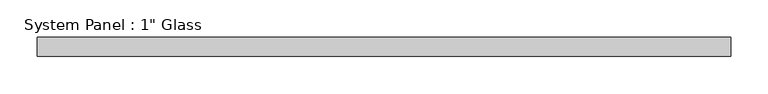
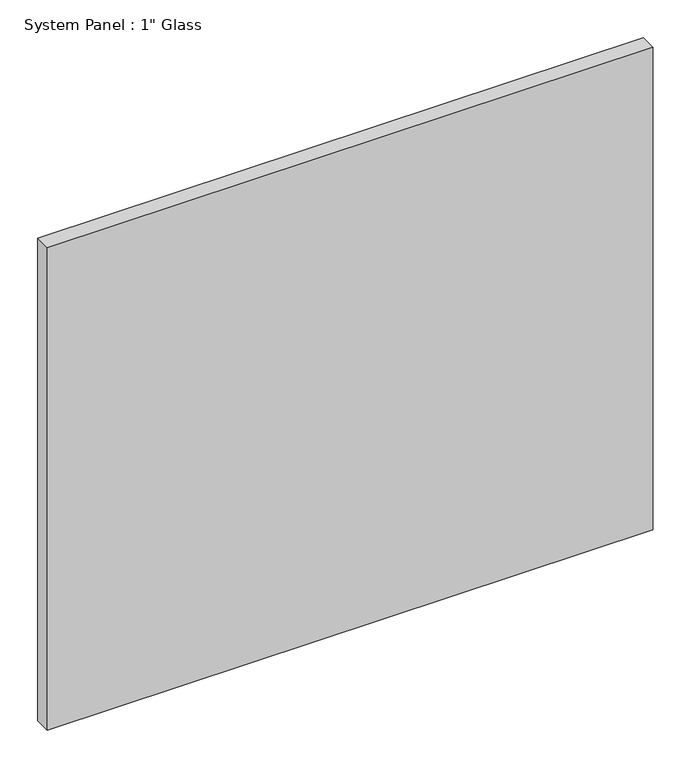
"""IFC4 building model written with IfcOpenShell, lengths in millimetres: plate geometry."""

from ifc_helpers import new_model, si_unit, origin, origin_with_axes, place, context, project, spatial, polyline, outline, extrude, source, transform, mapped, element, save


def plate_17e2178b(model_context):
    return source(origin(), model_context, "Body", "SweptSolid", [
        extrude(outline(polyline([(463.1158815, -12.7), (-463.1158815, -12.7), (-463.1158815, 12.7), (463.1158815, 12.7), (463.1158815, -12.7)])), origin_with_axes(), (0.0, 0.0, 1.0), 779.4625),
    ])


if __name__ == "__main__":
    model = new_model("IFC4")
    model_context = context("Model", 3, world=origin())
    ifc_project = project(units=[si_unit("LENGTHUNIT", "METRE", prefix="MILLI")], contexts=[model_context])
    site = spatial("IfcSite", under=ifc_project)
    building = spatial("IfcBuilding", under=site)
    placement = place(None, origin())
    plate_shape = plate_17e2178b(model_context)
    element("IfcPlate", 1, ObjectType="System Panel : 1\" Glass", at=placement, inside=building, context=model_context, shape_type="MappedRepresentation", body=[
        mapped(plate_shape, transform((0.0, 0.0, 0.0), x_axis=(1.0, 0.0, 0.0), y_axis=(0.0, 1.0, 0.0), z_axis=(0.0, 0.0, 1.0))),
    ])
    save(model, "model.ifc")
